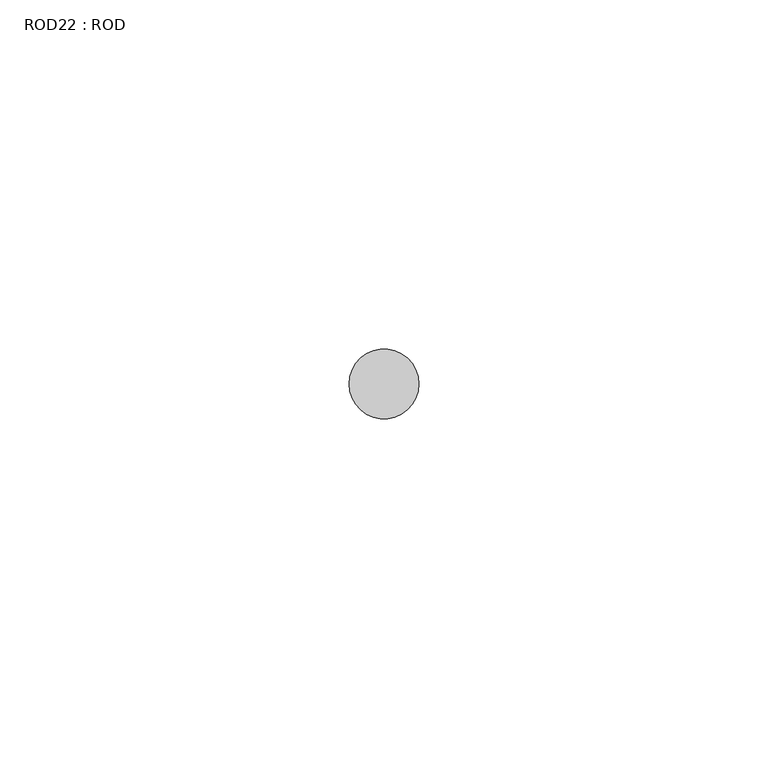
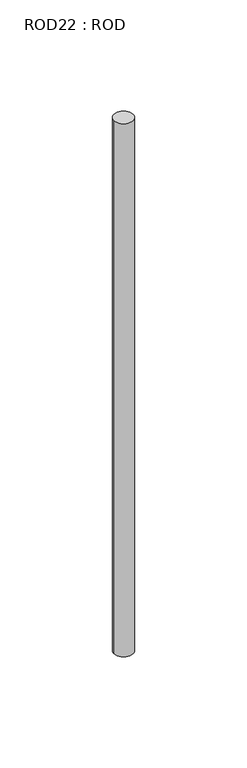
"""IFC4 building model written with IfcOpenShell, lengths in millimetres: proxy geometry, ROD22 : ROD."""

from ifc_helpers import new_model, si_unit, point, frame, frame_2d, origin, place, context, project, spatial, circle_curve, trimmed, segment, composite_curve, outline, extrude, source, transform, mapped, element, save


def rod22_rod_c007aa02(model_context):
    return source(origin(), model_context, "Body", "SweptSolid", [
        extrude(outline(composite_curve([segment(trimmed(circle_curve(frame_2d((-4707.2215616, -1114.6300853)), 5.0), [point((-4712.2215616, -1114.6300853))], [point((-4702.2215616, -1114.6300853))], False, "CARTESIAN"), True, "CONTINUOUS"), segment(trimmed(circle_curve(frame_2d((-4707.2215616, -1114.6300853)), 5.0), [point((-4702.2215616, -1114.6300853))], [point((-4712.2215616, -1114.6300853))], False, "CARTESIAN"), True, "CONTINUOUS")], self_intersect=False)), frame((0.0, 0.0, -208.6608845), z_axis=(0.0, 0.0, 1.0), x_axis=(1.0, 0.0, 0.0)), (0.0, 0.0, 1.0), 298.9028972),
    ])


if __name__ == "__main__":
    model = new_model("IFC4")
    model_context = context("Model", 3, world=origin())
    ifc_project = project(units=[si_unit("LENGTHUNIT", "METRE", prefix="MILLI")], contexts=[model_context])
    site = spatial("IfcSite", under=ifc_project)
    building = spatial("IfcBuilding", under=site)
    placement = place(None, origin())
    rod22_rod_shape = rod22_rod_c007aa02(model_context)
    element("IfcBuildingElementProxy", 1, Name="ROD22 : ROD", ObjectType="ROD22 : ROD", at=placement, inside=building, context=model_context, shape_type="MappedRepresentation", body=[
        mapped(rod22_rod_shape, transform((0.0, 0.0, 0.0), x_axis=(1.0, 0.0, 0.0), y_axis=(0.0, 1.0, 0.0), z_axis=(0.0, 0.0, 1.0))),
    ])
    save(model, "model.ifc")
